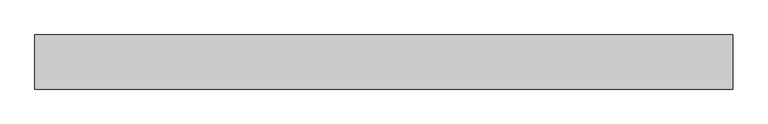
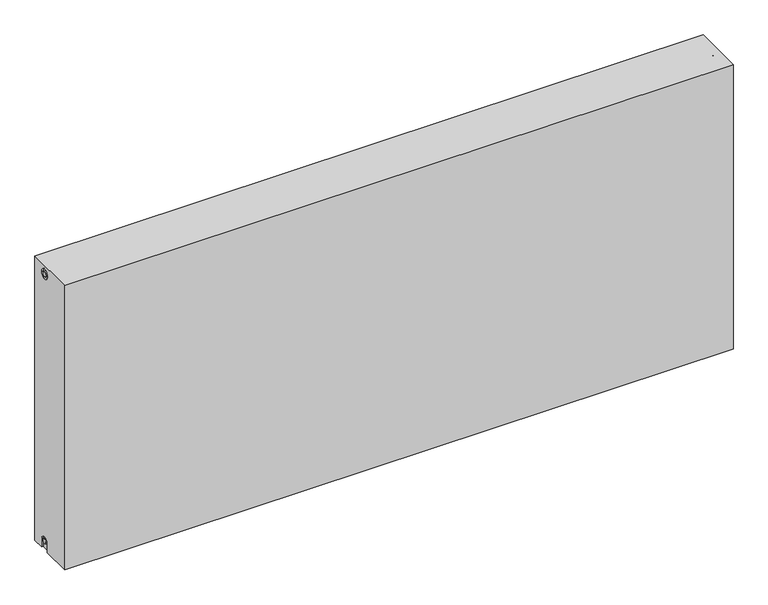
"""IFC4 building model written with IfcOpenShell, lengths in millimetres: proxy geometry."""

from ifc_helpers import new_model, si_unit, frame, origin, place, context, project, spatial, polyline, circle_curve, source, transform, mapped, element, save
from ifc_brep_helpers import plane_surface, cylinder_surface, revolved_surface, advanced_brep


def mechanical_equipment_c9f1a46a(model_context):
    return source(origin(), model_context, "Body", "AdvancedBrep", [
        advanced_brep(
        [(2000.0, 77.5, 900.0), (2000.0, 77.5, 0.0), (0.0, 77.5, 0.0), (0.0, 77.5, 900.0), (2000.0, -77.5, 900.0), (0.0, -77.5, 900.0), (0.0, -77.5, 0.0), (2000.0, -77.5, 0.0), (2000.0, 12.5, 0.0), (2000.0, 12.5, 27.0), (2000.0, 42.5, 27.0), (2000.0, 42.5, 0.0), (2000.0, 42.2242393, 873.0), (2000.0, 12.2242393, 873.0), (2000.0, 34.7242393, 873.0), (2000.0, 19.7242393, 873.0), (2000.0, 20.0, 27.0), (2000.0, 35.0, 27.0), (1995.0, 42.5, 0.0), (1995.0, 12.5, 0.0), (0.0, 12.5, 0.0), (5.0, 12.5, 0.0), (5.0, 42.5, 0.0), (0.0, 42.5, 0.0), (0.0, 42.5, 27.0), (0.0, 12.5, 27.0), (0.0, 12.2242393, 873.0), (0.0, 42.2242393, 873.0), (0.0, 19.7242393, 873.0), (0.0, 34.7242393, 873.0), (0.0, 35.0682726, 27.0), (0.0, 20.0682726, 27.0), (5.0, 12.2242393, 873.0), (5.0, 42.2242393, 873.0), (5.0, 19.7242393, 873.0), (5.0, 34.7242393, 873.0), (5.0, 12.5, 27.0), (5.0, 42.5, 27.0), (5.0, 20.0682726, 27.0), (5.0, 35.0682726, 27.0), (1995.0, 12.2242393, 873.0), (1995.0, 42.2242393, 873.0), (1995.0, 19.7242393, 873.0), (1995.0, 34.7242393, 873.0), (1995.0, 42.5, 27.0), (1995.0, 12.5, 27.0), (1995.0, 20.0, 27.0), (1995.0, 35.0, 27.0)],
        [
            (0, 1),
            (1, 2),
            (2, 3),
            (3, 0),
            (4, 5),
            (5, 6),
            (6, 7),
            (7, 4),
            (0, 4),
            (7, 8),
            (8, 9),
            (9, 10, circle_curve(frame((2000.0, 27.5, 27.0), z_axis=(-1.0, 0.0, 0.0), x_axis=(0.0, 1.0, 0.0)), 15.0)),
            (10, 11),
            (11, 1),
            (12, 13, circle_curve(frame((2000.0, 27.2242393, 873.0), z_axis=(-1.0, 0.0, 0.0), x_axis=(0.0, 1.0, 0.0)), 15.0)),
            (13, 12, circle_curve(frame((2000.0, 27.2242393, 873.0), z_axis=(-1.0, 0.0, 0.0), x_axis=(0.0, 1.0, 0.0)), 15.0)),
            (14, 15, circle_curve(frame((2000.0, 27.2242393, 873.0), z_axis=(1.0, 0.0, 0.0), x_axis=(0.0, 1.0, 0.0)), 7.5)),
            (15, 14, circle_curve(frame((2000.0, 27.2242393, 873.0), z_axis=(1.0, 0.0, 0.0), x_axis=(0.0, 1.0, 0.0)), 7.5)),
            (16, 17, circle_curve(frame((2000.0, 27.5, 27.0), z_axis=(1.0, 0.0, 0.0), x_axis=(0.0, 1.0, 0.0)), 7.5)),
            (17, 16, circle_curve(frame((2000.0, 27.5, 27.0), z_axis=(1.0, 0.0, 0.0), x_axis=(0.0, 1.0, 0.0)), 7.5)),
            (11, 18),
            (18, 19),
            (19, 8),
            (6, 20),
            (20, 21),
            (21, 22),
            (22, 23),
            (23, 2),
            (23, 24),
            (24, 25, circle_curve(frame((0.0, 27.5, 27.0), z_axis=(1.0, 0.0, 0.0), x_axis=(0.0, 1.0, 0.0)), 15.0)),
            (25, 20),
            (5, 3),
            (26, 27, circle_curve(frame((0.0, 27.2242393, 873.0), z_axis=(1.0, 0.0, 0.0), x_axis=(0.0, 1.0, 0.0)), 15.0)),
            (27, 26, circle_curve(frame((0.0, 27.2242393, 873.0), z_axis=(1.0, 0.0, 0.0), x_axis=(0.0, 1.0, 0.0)), 15.0)),
            (28, 29, circle_curve(frame((0.0, 27.2242393, 873.0), z_axis=(-1.0, 0.0, 0.0), x_axis=(0.0, 1.0, 0.0)), 7.5)),
            (29, 28, circle_curve(frame((0.0, 27.2242393, 873.0), z_axis=(-1.0, 0.0, 0.0), x_axis=(0.0, 1.0, 0.0)), 7.5)),
            (30, 31, circle_curve(frame((0.0, 27.5682726, 27.0), z_axis=(-1.0, 0.0, 0.0), x_axis=(0.0, 1.0, 0.0)), 7.5)),
            (31, 30, circle_curve(frame((0.0, 27.5682726, 27.0), z_axis=(-1.0, 0.0, 0.0), x_axis=(0.0, 1.0, 0.0)), 7.5)),
            (32, 33, circle_curve(frame((5.0, 27.2242393, 873.0), z_axis=(-1.0, 0.0, 0.0), x_axis=(0.0, 1.0, 0.0)), 15.0)),
            (33, 32, circle_curve(frame((5.0, 27.2242393, 873.0), z_axis=(-1.0, 0.0, 0.0), x_axis=(0.0, 1.0, 0.0)), 15.0)),
            (34, 35, circle_curve(frame((5.0, 27.2242393, 873.0), z_axis=(1.0, 0.0, 0.0), x_axis=(0.0, 1.0, 0.0)), 7.5)),
            (35, 34, circle_curve(frame((5.0, 27.2242393, 873.0), z_axis=(1.0, 0.0, 0.0), x_axis=(0.0, 1.0, 0.0)), 7.5)),
            (33, 27),
            (26, 32),
            (35, 29),
            (28, 34),
            (21, 36),
            (36, 37, circle_curve(frame((5.0, 27.5, 27.0), z_axis=(-1.0, 0.0, 0.0), x_axis=(0.0, 1.0, 0.0)), 15.0)),
            (37, 22),
            (38, 39, circle_curve(frame((5.0, 27.5682726, 27.0), z_axis=(1.0, 0.0, 0.0), x_axis=(0.0, 1.0, 0.0)), 7.5)),
            (39, 38, circle_curve(frame((5.0, 27.5682726, 27.0), z_axis=(1.0, 0.0, 0.0), x_axis=(0.0, 1.0, 0.0)), 7.5)),
            (38, 31),
            (30, 39),
            (37, 24),
            (36, 25),
            (40, 41, circle_curve(frame((1995.0, 27.2242393, 873.0), z_axis=(1.0, 0.0, 0.0), x_axis=(0.0, 1.0, 0.0)), 15.0)),
            (41, 40, circle_curve(frame((1995.0, 27.2242393, 873.0), z_axis=(1.0, 0.0, 0.0), x_axis=(0.0, 1.0, 0.0)), 15.0)),
            (42, 43, circle_curve(frame((1995.0, 27.2242393, 873.0), z_axis=(-1.0, 0.0, 0.0), x_axis=(0.0, 1.0, 0.0)), 7.5)),
            (43, 42, circle_curve(frame((1995.0, 27.2242393, 873.0), z_axis=(-1.0, 0.0, 0.0), x_axis=(0.0, 1.0, 0.0)), 7.5)),
            (40, 13),
            (12, 41),
            (42, 15),
            (14, 43),
            (18, 44),
            (44, 45, circle_curve(frame((1995.0, 27.5, 27.0), z_axis=(1.0, 0.0, 0.0), x_axis=(0.0, 1.0, 0.0)), 15.0)),
            (45, 19),
            (46, 47, circle_curve(frame((1995.0, 27.5, 27.0), z_axis=(-1.0, 0.0, 0.0), x_axis=(0.0, 1.0, 0.0)), 7.5)),
            (47, 46, circle_curve(frame((1995.0, 27.5, 27.0), z_axis=(-1.0, 0.0, 0.0), x_axis=(0.0, 1.0, 0.0)), 7.5)),
            (47, 17),
            (16, 46),
            (10, 44),
            (9, 45),
        ],
        [
            plane_surface(frame((2000.0, 77.5, 900.0), z_axis=(0.0, 1.0, 0.0), x_axis=(0.0, 0.0, -1.0))),
            plane_surface(frame((2000.0, -77.5, 900.0), z_axis=(0.0, -1.0, 0.0), x_axis=(0.0, 0.0, 1.0))),
            plane_surface(frame((2000.0, 77.5, 900.0), z_axis=(1.0, 0.0, 0.0), x_axis=(0.0, -1.0, 0.0))),
            plane_surface(frame((2000.0, 77.5, 0.0), z_axis=(0.0, 0.0, -1.0), x_axis=(0.0, -1.0, 0.0))),
            plane_surface(frame((0.0, 77.5, 0.0), z_axis=(-1.0, 0.0, 0.0), x_axis=(0.0, -1.0, 0.0))),
            plane_surface(frame((0.0, 77.5, 900.0), z_axis=(0.0, 0.0, 1.0), x_axis=(0.0, -1.0, 0.0))),
            plane_surface(frame((5.0, 42.2242393, 873.0), z_axis=(-1.0, 0.0, 0.0), x_axis=(0.0, 0.0, 1.0))),
            revolved_surface(polyline([(5.0, 42.2242393, 873.0), (0.0, 42.2242393, 873.0)]), (0.0, 27.2242393, 873.0), (1.0, 0.0, 0.0)),
            cylinder_surface(frame((0.0, 27.2242393, 873.0), z_axis=(-1.0, 0.0, 0.0), x_axis=(0.0, 1.0, 0.0)), 7.5),
            plane_surface(frame((5.0, 35.0682726, 27.0), z_axis=(-1.0, 0.0, 0.0), x_axis=(0.0, 0.0, -1.0))),
            cylinder_surface(frame((0.0, 27.5682726, 27.0), z_axis=(-1.0, 0.0, 0.0), x_axis=(0.0, 1.0, 0.0)), 7.5),
            plane_surface(frame((5.0, 42.5, 0.0), z_axis=(0.0, -1.0, 0.0), x_axis=(-1.0, 0.0, 0.0))),
            revolved_surface(polyline([(5.0, 42.5, 27.0), (0.0, 42.5, 27.0)]), (0.0, 27.5, 27.0), (1.0, 0.0, 0.0)),
            plane_surface(frame((5.0, 12.5, 27.0), z_axis=(0.0, 1.0, 0.0), x_axis=(-1.0, 0.0, 0.0))),
            plane_surface(frame((1995.0, 42.2242393, 873.0), z_axis=(1.0, 0.0, 0.0), x_axis=(0.0, 0.0, -1.0))),
            revolved_surface(polyline([(2000.0, 42.2242393, 873.0), (1995.0, 42.2242393, 873.0)]), (1995.0, 27.2242393, 873.0), (1.0, 0.0, 0.0)),
            cylinder_surface(frame((1395.0, 27.2242393, 873.0), z_axis=(-1.0, 0.0, 0.0), x_axis=(0.0, 1.0, 0.0)), 7.5),
            plane_surface(frame((1995.0, 35.0, 27.0), z_axis=(1.0, 0.0, 0.0), x_axis=(0.0, 0.0, 1.0))),
            cylinder_surface(frame((1995.0, 27.5, 27.0), z_axis=(-1.0, 0.0, 0.0), x_axis=(0.0, 1.0, 0.0)), 7.5),
            plane_surface(frame((2000.0, 42.5, 0.0), z_axis=(0.0, -1.0, 0.0), x_axis=(-1.0, 0.0, 0.0))),
            revolved_surface(polyline([(2000.0, 42.5, 27.0), (1995.0, 42.5, 27.0)]), (1395.0, 27.5, 27.0), (1.0, 0.0, 0.0)),
            plane_surface(frame((2000.0, 12.5, 27.0), z_axis=(0.0, 1.0, 0.0), x_axis=(-1.0, 0.0, 0.0))),
        ],
        [
            (0, [[1, 2, 3, 4]]),
            (1, [[5, 6, 7, 8]]),
            (2, [[-1, 9, -8, 10, 11, 12, 13, 14], [15, 16]]),
            (2, [[17, 18]]),
            (2, [[19, 20]]),
            (3, [[-2, -14, 21, 22, 23, -10, -7, 24, 25, 26, 27, 28]]),
            (4, [[-3, -28, 29, 30, 31, -24, -6, 32], [33, 34]]),
            (4, [[35, 36]]),
            (4, [[37, 38]]),
            (5, [[-4, -32, -5, -9]]),
            (6, [[39, 40], [41, 42]]),
            (7, [[-40, 43, -33, 44]]),
            (7, [[-39, -44, -34, -43]]),
            (8, [[-42, 45, -35, 46]]),
            (8, [[-41, -46, -36, -45]]),
            (9, [[47, 48, 49, -26], [50, 51]]),
            (10, [[-50, 52, -37, 53]]),
            (10, [[-51, -53, -38, -52]]),
            (11, [[-49, 54, -29, -27]]),
            (12, [[-48, 55, -30, -54]]),
            (13, [[-47, -25, -31, -55]]),
            (14, [[56, 57], [58, 59]]),
            (15, [[-56, 60, -15, 61]]),
            (15, [[-57, -61, -16, -60]]),
            (16, [[-58, 62, -17, 63]]),
            (16, [[-59, -63, -18, -62]]),
            (17, [[64, 65, 66, -22], [67, 68]]),
            (18, [[-68, 69, -19, 70]]),
            (18, [[-67, -70, -20, -69]]),
            (19, [[-64, -21, -13, 71]]),
            (20, [[-65, -71, -12, 72]]),
            (21, [[-66, -72, -11, -23]]),
        ],
    ),
    ])


if __name__ == "__main__":
    model = new_model("IFC4")
    model_context = context("Model", 3, world=origin())
    ifc_project = project(units=[si_unit("LENGTHUNIT", "METRE", prefix="MILLI")], contexts=[model_context])
    site = spatial("IfcSite", under=ifc_project)
    building = spatial("IfcBuilding", under=site)
    placement = place(None, origin())
    mechanical_equipment_shape = mechanical_equipment_c9f1a46a(model_context)
    element("IfcBuildingElementProxy", 1, Name="Mechanical Equipment", at=placement, inside=building, context=model_context, shape_type="MappedRepresentation", body=[
        mapped(mechanical_equipment_shape, transform((0.0, 0.0, 0.0), x_axis=(1.0, 0.0, 0.0), y_axis=(0.0, 1.0, 0.0), z_axis=(0.0, 0.0, 1.0))),
    ])
    save(model, "model.ifc")
